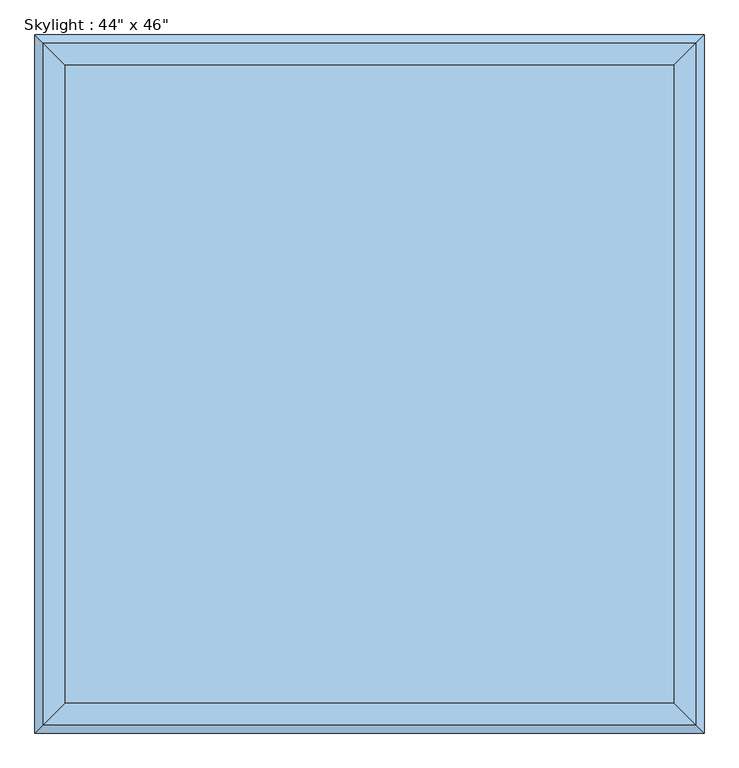
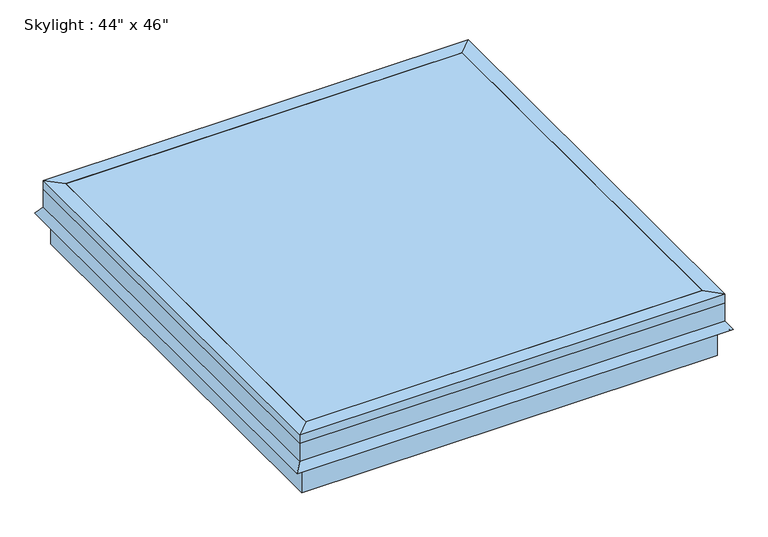
"""IFC4 building model written with IfcOpenShell, lengths in millimetres: window geometry."""

from ifc_helpers import new_model, si_unit, frame, origin, place, context, project, spatial, polyline, outline, extrude, faceted_brep, source, transform, mapped, element, save


def window_0fb6f1b1(model_context):
    return source(origin(), model_context, "Body", "SolidModel", [
        faceted_brep([(254.440073, -370.1040988, 4019.55), (254.440073, 747.4959012, 4019.55), (279.840073, 772.8959012, 4019.55), (279.840073, -395.5040988, 4019.55), (254.440073, -370.1040988, 4044.95), (254.440073, 747.4959012, 4044.95), (292.540073, -408.2040988, 4044.95), (292.540073, 785.5959012, 4044.95), (292.540073, -408.2040988, 4019.55), (292.540073, 785.5959012, 4019.55), (292.540073, -408.2040988, 3968.75), (292.540073, 785.5959012, 3968.75), (307.1089145, -422.7729403, 3947.9435381), (307.1089145, 800.1647427, 3947.9435381), (301.907299, -417.5713248, 3944.3013277), (301.907299, 794.9631272, 3944.3013277), (286.190073, -401.8540988, 3966.7478527), (286.190073, 779.2459012, 3966.7478527), (286.190073, -401.8540988, 4019.55), (286.190073, 779.2459012, 4019.55), (-812.359927, 747.4959012, 4019.55), (-837.759927, 772.8959012, 4019.55), (-812.359927, 747.4959012, 4044.95), (-850.459927, 785.5959012, 4044.95), (-850.459927, 785.5959012, 4019.55), (-850.459927, 785.5959012, 3968.75), (-865.0287685, 800.1647427, 3947.9435381), (-859.827153, 794.9631272, 3944.3013277), (-844.109927, 779.2459012, 3966.7478527), (-844.109927, 779.2459012, 4019.55), (-812.359927, -370.1040988, 4019.55), (-837.759927, -395.5040988, 4019.55), (-812.359927, -370.1040988, 4044.95), (-850.459927, -408.2040988, 4044.95), (-850.459927, -408.2040988, 4019.55), (-850.459927, -408.2040988, 3968.75), (-865.0287685, -422.7729403, 3947.9435381), (-859.827153, -417.5713248, 3944.3013277), (-844.109927, -401.8540988, 3966.7478527), (-844.109927, -401.8540988, 4019.55)], [[[0, 1, 2, 3]], [[4, 5, 1, 0]], [[6, 7, 5, 4]], [[8, 9, 7, 6]], [[10, 11, 9, 8]], [[12, 13, 11, 10]], [[14, 15, 13, 12]], [[16, 17, 15, 14]], [[18, 19, 17, 16]], [[3, 2, 19, 18]], [[1, 20, 21, 2]], [[5, 22, 20, 1]], [[7, 23, 22, 5]], [[9, 24, 23, 7]], [[11, 25, 24, 9]], [[13, 26, 25, 11]], [[15, 27, 26, 13]], [[17, 28, 27, 15]], [[19, 29, 28, 17]], [[2, 21, 29, 19]], [[20, 30, 31, 21]], [[22, 32, 30, 20]], [[23, 33, 32, 22]], [[24, 34, 33, 23]], [[25, 35, 34, 24]], [[26, 36, 35, 25]], [[27, 37, 36, 26]], [[28, 38, 37, 27]], [[29, 39, 38, 28]], [[21, 31, 39, 29]], [[30, 0, 3, 31]], [[32, 4, 0, 30]], [[33, 6, 4, 32]], [[34, 8, 6, 33]], [[35, 10, 8, 34]], [[36, 12, 10, 35]], [[37, 14, 12, 36]], [[38, 16, 14, 37]], [[39, 18, 16, 38]], [[31, 3, 18, 39]]]),
        faceted_brep([(279.840073, 772.8959012, 4019.55), (279.840073, -395.5040988, 4019.55), (279.840073, -395.5040988, 3867.15), (279.840073, 772.8959012, 3867.15), (254.440073, 747.4959012, 4019.55), (254.440073, -370.1040988, 4019.55), (254.440073, 747.4959012, 3994.15), (254.440073, -370.1040988, 3994.15), (235.390073, 728.4459012, 3994.15), (235.390073, -351.0540988, 3994.15), (235.390073, 728.4459012, 3867.15), (235.390073, -351.0540988, 3867.15), (-837.759927, -395.5040988, 4019.55), (-837.759927, -395.5040988, 3867.15), (-812.359927, -370.1040988, 4019.55), (-812.359927, -370.1040988, 3994.15), (-793.309927, -351.0540988, 3994.15), (-793.309927, -351.0540988, 3867.15), (-837.759927, 772.8959012, 4019.55), (-837.759927, 772.8959012, 3867.15), (-812.359927, 747.4959012, 4019.55), (-812.359927, 747.4959012, 3994.15), (-793.309927, 728.4459012, 3994.15), (-793.309927, 728.4459012, 3867.15)], [[[0, 1, 2, 3]], [[4, 5, 1, 0]], [[6, 7, 5, 4]], [[8, 9, 7, 6]], [[10, 11, 9, 8]], [[3, 2, 11, 10]], [[1, 12, 13, 2]], [[5, 14, 12, 1]], [[7, 15, 14, 5]], [[9, 16, 15, 7]], [[11, 17, 16, 9]], [[2, 13, 17, 11]], [[12, 18, 19, 13]], [[14, 20, 18, 12]], [[15, 21, 20, 14]], [[16, 22, 21, 15]], [[17, 23, 22, 16]], [[13, 19, 23, 17]], [[18, 0, 3, 19]], [[20, 4, 0, 18]], [[21, 6, 4, 20]], [[22, 8, 6, 21]], [[23, 10, 8, 22]], [[19, 3, 10, 23]]]),
        extrude(outline(polyline([(254.440073, 747.4959012), (254.440073, -370.1040988), (-812.359927, -370.1040988), (-812.359927, 747.4959012), (254.440073, 747.4959012)])), frame((0.0, 0.0, 4038.6), z_axis=(0.0, 0.0, 1.0), x_axis=(1.0, 0.0, 0.0)), (0.0, 0.0, 1.0), 6.35),
    ])


if __name__ == "__main__":
    model = new_model("IFC4")
    model_context = context("Model", 3, world=origin())
    ifc_project = project(units=[si_unit("LENGTHUNIT", "METRE", prefix="MILLI")], contexts=[model_context])
    site = spatial("IfcSite", under=ifc_project)
    building = spatial("IfcBuilding", under=site)
    placement = place(None, origin())
    window_shape = window_0fb6f1b1(model_context)
    element("IfcWindow", 1, ObjectType="Skylight : 44\" x 46\"", at=placement, inside=building, context=model_context, shape_type="MappedRepresentation", body=[
        mapped(window_shape, transform((0.0, 0.0, 0.0), x_axis=(1.0, 0.0, 0.0), y_axis=(0.0, 1.0, 0.0), z_axis=(0.0, 0.0, 1.0))),
    ])
    save(model, "model.ifc")
